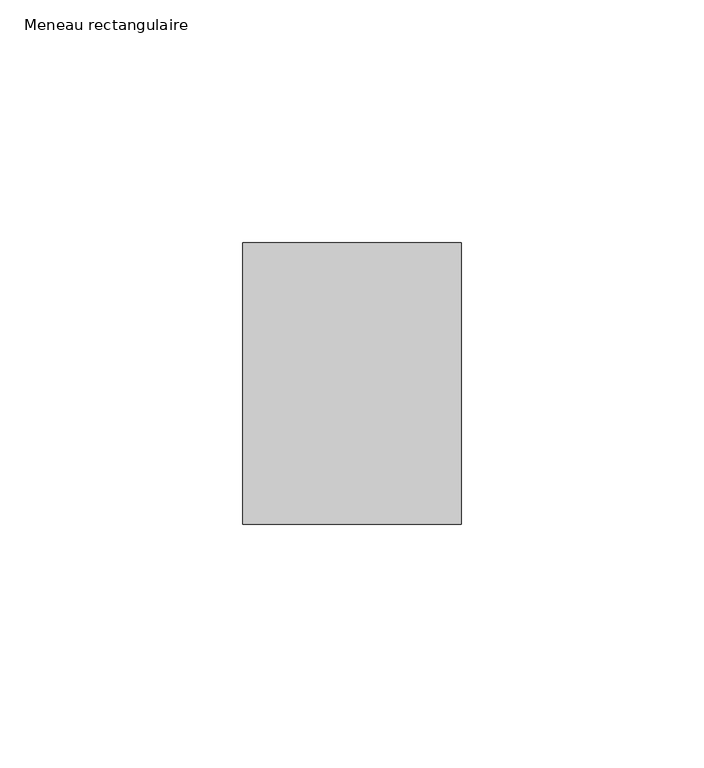
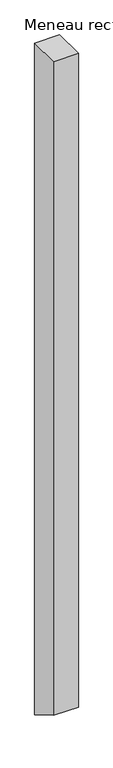
"""IFC4 building model written with IfcOpenShell, lengths in millimetres: member geometry, Meneau rectangulaire."""

from ifc_helpers import new_model, si_unit, frame, origin, place, context, project, spatial, polyline, outline, extrude, source, transform, mapped, element, save


def meneau_rectangulaire_ba07b3f4(model_context):
    return source(origin(), model_context, "Body", "SweptSolid", [
        extrude(outline(polyline([(-29.0, 0.0), (29.0, 0.0), (29.0, -1276.493158), (-29.0, -1243.0068423), (-29.0, 0.0)])), frame((-45.0, 0.0, 0.0), z_axis=(1.0, 0.0, 0.0), x_axis=(0.0, 1.0, 0.0)), (0.0, 0.0, 1.0), 45.0),
    ])


if __name__ == "__main__":
    model = new_model("IFC4")
    model_context = context("Model", 3, world=origin())
    ifc_project = project(units=[si_unit("LENGTHUNIT", "METRE", prefix="MILLI")], contexts=[model_context])
    site = spatial("IfcSite", under=ifc_project)
    building = spatial("IfcBuilding", under=site)
    placement = place(None, origin())
    meneau_rectangulaire_shape = meneau_rectangulaire_ba07b3f4(model_context)
    element("IfcMember", 1, ObjectType="Meneau rectangulaire", at=placement, inside=building, context=model_context, shape_type="MappedRepresentation", body=[
        mapped(meneau_rectangulaire_shape, transform((0.0, 0.0, 0.0), x_axis=(1.0, 0.0, 0.0), y_axis=(0.0, 1.0, 0.0), z_axis=(0.0, 0.0, 1.0))),
    ])
    save(model, "model.ifc")
